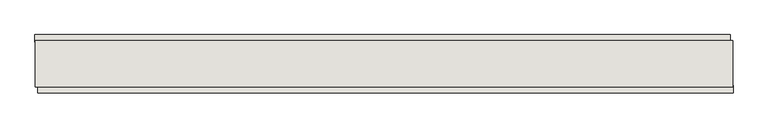
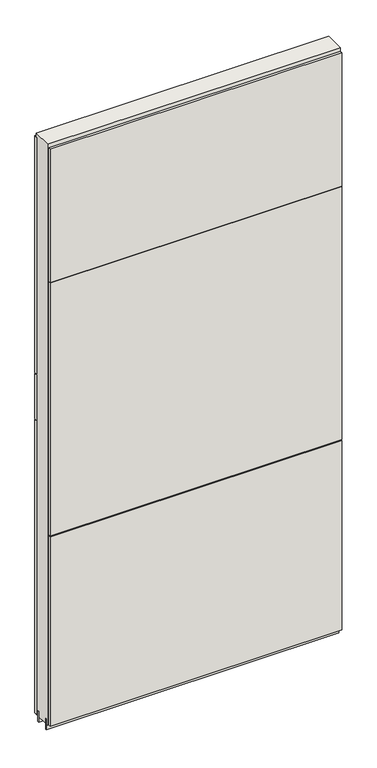
"""IFC4 building model written with IfcOpenShell, lengths in millimetres: wall geometry."""

from ifc_helpers import new_model, si_unit, frame, origin, place, context, project, spatial, polyline, outline, extrude, source, transform, mapped, element, save


def wall_5749c17b(model_context):
    return source(origin(), model_context, "Body", "SweptSolid", [
        extrude(outline(polyline([(80474.9068172, -53666.744711), (80472.3668172, -53666.744711), (80472.3668172, -53664.204711), (80474.9068172, -53664.204711), (80474.9068172, -53666.744711)])), frame((0.0, 0.0, 4419.6), z_axis=(0.0, 0.0, 1.0), x_axis=(1.0, 0.0, 0.0)), (0.0, 0.0, 1.0), 2.54),
        extrude(outline(polyline([(79255.2461882, -53614.674711), (80470.4461962, -53614.674711), (80470.4461962, -53627.374711), (79255.2461882, -53627.374711), (79255.2461882, -53614.674711)])), frame((0.0, 0.0, 5945.6000722), z_axis=(0.0, 0.0, 1.0), x_axis=(1.0, 0.0, 0.0)), (0.0, 0.0, 1.0), 1044.449905),
        extrude(outline(polyline([(79255.2461882, -53614.674711), (80470.4461962, -53614.674711), (80470.4461962, -53627.374711), (79255.2461882, -53627.374711), (79255.2461882, -53614.674711)])), frame((0.0, 0.0, 5742.3999706), z_axis=(0.0, 0.0, 1.0), x_axis=(1.0, 0.0, 0.0)), (0.0, 0.0, 1.0), 199.2000512),
        extrude(outline(polyline([(79255.2461882, -53614.674711), (80470.4461962, -53614.674711), (80470.4461962, -53627.374711), (79255.2461882, -53627.374711), (79255.2461882, -53614.674711)])), frame((0.0, 0.0, 4445.0), z_axis=(0.0, 0.0, 1.0), x_axis=(1.0, 0.0, 0.0)), (0.0, 0.0, 1.0), 1293.400004),
        extrude(outline(polyline([(80475.3699354, -53716.274711), (79260.1699274, -53716.274711), (79260.1699274, -53703.574711), (80475.3699354, -53703.574711), (80475.3699354, -53716.274711)])), frame((0.0, 0.0, 6402.8000722), z_axis=(0.0, 0.0, 1.0), x_axis=(1.0, 0.0, 0.0)), (0.0, 0.0, 1.0), 587.2498034),
        extrude(outline(polyline([(80475.3699354, -53716.274711), (79260.1699274, -53716.274711), (79260.1699274, -53703.574711), (80475.3699354, -53703.574711), (80475.3699354, -53716.274711)])), frame((0.0, 0.0, 5285.2000722), z_axis=(0.0, 0.0, 1.0), x_axis=(1.0, 0.0, 0.0)), (0.0, 0.0, 1.0), 1113.5999572),
        extrude(outline(polyline([(80475.3699354, -53716.274711), (79260.1699274, -53716.274711), (79260.1699274, -53703.574711), (80475.3699354, -53703.574711), (80475.3699354, -53716.274711)])), frame((0.0, 0.0, 4445.0), z_axis=(0.0, 0.0, 1.0), x_axis=(1.0, 0.0, 0.0)), (0.0, 0.0, 1.0), 836.200004),
        extrude(outline(polyline([(80474.8956666, -53640.4033616), (79255.6956666, -53640.4033616), (79255.6956666, -53635.2998158), (80474.8956666, -53635.2998158), (80474.8956666, -53640.4033616)])), frame((0.0, 0.0, 4418.6602), z_axis=(0.0, 0.0, 1.0), x_axis=(1.0, 0.0, 0.0)), (0.0, 0.0, 1.0), 47.625),
        extrude(outline(polyline([(80474.8956666, -53640.4033616), (79255.6956666, -53640.4033616), (79255.6956666, -53635.2998158), (80474.8956666, -53635.2998158), (80474.8956666, -53640.4033616)])), frame((0.0, 0.0, 4418.6602), z_axis=(0.0, 0.0, 1.0), x_axis=(1.0, 0.0, 0.0)), (0.0, 0.0, 1.0), 47.625),
        extrude(outline(polyline([(79255.6956666, -53690.546035), (80474.8956666, -53690.546035), (80474.8956666, -53695.6248158), (79255.6956666, -53695.6248158), (79255.6956666, -53690.546035)])), frame((0.0, 0.0, 4418.6602), z_axis=(0.0, 0.0, 1.0), x_axis=(1.0, 0.0, 0.0)), (0.0, 0.0, 1.0), 47.625),
        extrude(outline(polyline([(79255.6956666, -53690.546035), (80474.8956666, -53690.546035), (80474.8956666, -53695.6248158), (79255.6956666, -53695.6248158), (79255.6956666, -53690.546035)])), frame((0.0, 0.0, 4418.6602), z_axis=(0.0, 0.0, 1.0), x_axis=(1.0, 0.0, 0.0)), (0.0, 0.0, 1.0), 47.625),
        extrude(outline(polyline([(80474.8956666, -53624.8384194), (80474.8956666, -53706.1171748), (79255.6956666, -53706.1171748), (79255.6956666, -53624.8384194), (80474.8956666, -53624.8384194)])), frame((0.0, 0.0, 4445.0), z_axis=(0.0, 0.0, 1.0), x_axis=(1.0, 0.0, 0.0)), (0.0, 0.0, 1.0), 2562.4536762),
    ])


if __name__ == "__main__":
    model = new_model("IFC4")
    model_context = context("Model", 3, world=origin())
    ifc_project = project(units=[si_unit("LENGTHUNIT", "METRE", prefix="MILLI")], contexts=[model_context])
    site = spatial("IfcSite", under=ifc_project)
    building = spatial("IfcBuilding", under=site)
    placement = place(None, origin())
    wall_shape = wall_5749c17b(model_context)
    element("IfcWall", 1, at=placement, inside=building, context=model_context, shape_type="MappedRepresentation", body=[
        mapped(wall_shape, transform((0.0, 0.0, 0.0), x_axis=(1.0, 0.0, 0.0), y_axis=(0.0, 1.0, 0.0), z_axis=(0.0, 0.0, 1.0))),
    ])
    save(model, "model.ifc")
